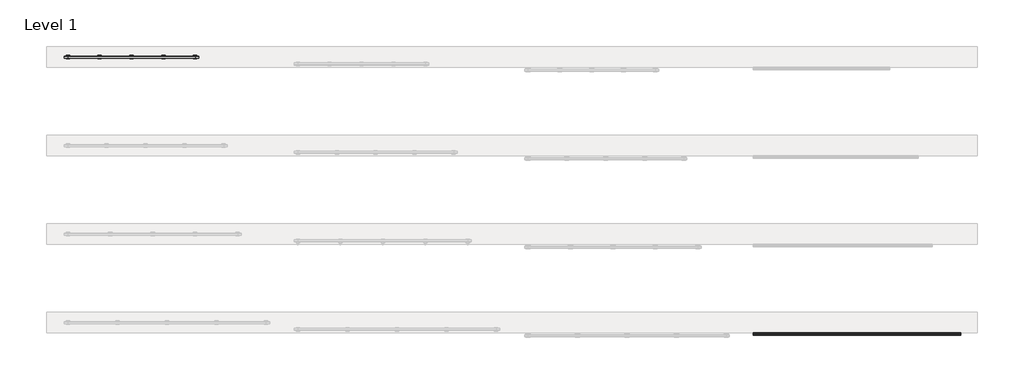
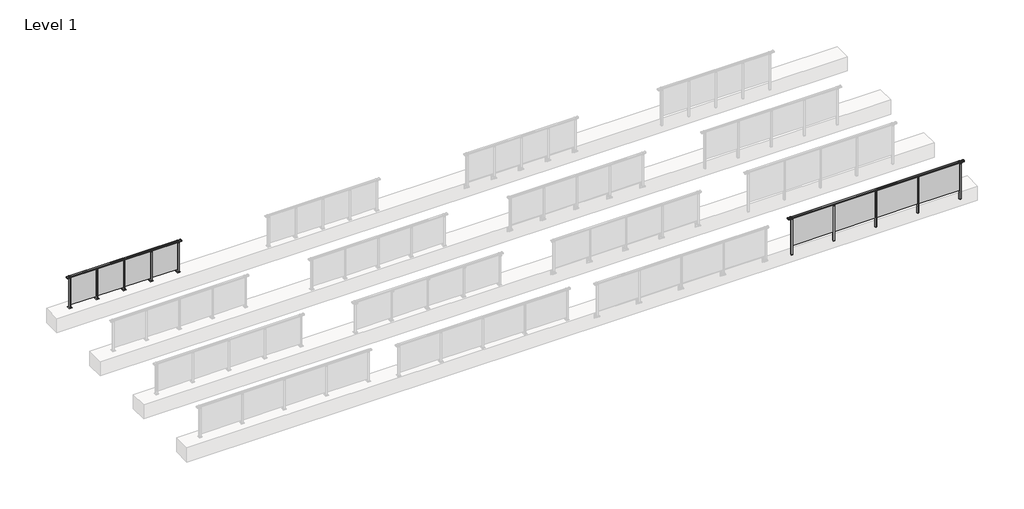
# One storey, part 52 of 64: 2 railings.
"""IFC4 building model written with IfcOpenShell, lengths in millimetres."""

from ifc_helpers import new_model, si_unit, frame, origin, origin_with_axes, place, context, project, spatial, polyline, circle_curve, outline, extrude, element, save
from ifc_brep_helpers import plane_surface, cylinder_surface, revolved_surface, advanced_brep

model = new_model("IFC4")

# Units and contexts
model_context = context("Model", 3, world=origin())
ifc_project = project(units=[si_unit("LENGTHUNIT", "METRE", prefix="MILLI")], contexts=[model_context])

# Site, building, storey
site = spatial("IfcSite", under=ifc_project)
building = spatial("IfcBuilding", under=site)
storey = spatial("IfcBuildingStorey", under=building, Name="Level 1", Elevation=0.0)

# Railings
placement = place(None, origin())
element("IfcRailing", 1, at=placement, inside=storey, context=model_context, shape_type="SolidModel", body=[
    advanced_brep(
    [(49372.5, 29892.8633756, 1095.6691182), (49372.5, 29897.6846828, 1081.1334092), (49372.5, 29896.7413744, 1069.2539035), (49372.5, 29898.6364177, 1061.4863007), (49372.5, 29896.9894799, 1060.384124), (49372.5, 29896.9894799, 1062.0), (49372.5, 29838.3798858, 1062.0), (49372.5, 29838.3798858, 1060.384124), (49372.5, 29836.732948, 1061.4863007), (49372.5, 29838.6279912, 1069.2539035), (49372.5, 29837.6846828, 1081.1334092), (49372.5, 29842.50599, 1095.6691182), (55227.5, 29892.8633756, 1095.6691182), (55227.5, 29842.50599, 1095.6691182), (55227.5, 29837.6846828, 1081.1334092), (55227.5, 29838.6279912, 1069.2539035), (55227.5, 29836.732948, 1061.4863007), (55227.5, 29838.3798858, 1060.384124), (55227.5, 29838.3798858, 1062.0), (55227.5, 29896.9894799, 1062.0), (55227.5, 29896.9894799, 1060.384124), (55227.5, 29898.6364177, 1061.4863007), (55227.5, 29896.7413744, 1069.2539035), (55227.5, 29897.6846828, 1081.1334092), (49500.0, 29892.8633756, 1095.6691182), (49500.0, 29897.6846828, 1081.1334092), (49500.0, 29896.7413744, 1069.2539035), (49500.0, 29898.6364177, 1061.4863007), (49500.0, 29896.9894799, 1060.384124), (49500.0, 29896.9894799, 1062.0), (49500.0, 29838.3798858, 1062.0), (49500.0, 29838.3798858, 1060.384124), (49500.0, 29836.732948, 1061.4863007), (49500.0, 29838.6279912, 1069.2539035), (49500.0, 29837.6846828, 1081.1334092), (49500.0, 29842.50599, 1095.6691182), (55100.0, 29892.8633756, 1095.6691182), (55100.0, 29897.6846828, 1081.1334092), (55100.0, 29896.7413744, 1069.2539035), (55100.0, 29898.6364177, 1061.4863007), (55100.0, 29896.9894799, 1060.384124), (55100.0, 29896.9894799, 1062.0), (55100.0, 29838.3798858, 1062.0), (55100.0, 29838.3798858, 1060.384124), (55100.0, 29836.732948, 1061.4863007), (55100.0, 29838.6279912, 1069.2539035), (55100.0, 29837.6846828, 1081.1334092), (55100.0, 29842.50599, 1095.6691182)],
    [
        (0, 1, circle_curve(frame((49372.5, 29889.6223845, 1086.526686), z_axis=(-1.0, 0.0, 0.0), x_axis=(0.0, -1.0, 0.0)), 9.6999015)),
        (1, 2, circle_curve(frame((49372.5, 29915.2252545, 1073.7633709), z_axis=(1.0, 0.0, 0.0), x_axis=(0.0, -1.0, 0.0)), 19.0260117)),
        (2, 3),
        (3, 4, circle_curve(frame((49372.5, 29897.7772073, 1060.9886194), z_axis=(-1.0, 0.0, 0.0), x_axis=(0.0, -1.0, 0.0)), 0.9929396)),
        (4, 5),
        (5, 6),
        (6, 7),
        (7, 8, circle_curve(frame((49372.5, 29837.5921584, 1060.9886194), z_axis=(-1.0, 0.0, 0.0), x_axis=(0.0, 1.0, 0.0)), 0.9929396)),
        (8, 9),
        (9, 10, circle_curve(frame((49372.5, 29820.1441111, 1073.7633709), z_axis=(1.0, 0.0, 0.0), x_axis=(0.0, 1.0, 0.0)), 19.0260117)),
        (10, 11, circle_curve(frame((49372.5, 29845.7469812, 1086.526686), z_axis=(-1.0, 0.0, 0.0), x_axis=(0.0, 1.0, 0.0)), 9.6999015)),
        (11, 0, circle_curve(frame((49372.5, 29867.6846828, 1024.6431628), z_axis=(-1.0, 0.0, 0.0), x_axis=(0.0, 1.0, 0.0)), 75.3568372)),
        (12, 13, circle_curve(frame((55227.5, 29867.6846828, 1024.6431628), z_axis=(1.0, 0.0, 0.0), x_axis=(0.0, 1.0, 0.0)), 75.3568372)),
        (13, 14, circle_curve(frame((55227.5, 29845.7469812, 1086.526686), z_axis=(1.0, 0.0, 0.0), x_axis=(0.0, 1.0, 0.0)), 9.6999015)),
        (14, 15, circle_curve(frame((55227.5, 29820.1441111, 1073.7633709), z_axis=(-1.0, 0.0, 0.0), x_axis=(0.0, 1.0, 0.0)), 19.0260117)),
        (15, 16),
        (16, 17, circle_curve(frame((55227.5, 29837.5921584, 1060.9886194), z_axis=(1.0, 0.0, 0.0), x_axis=(0.0, 1.0, 0.0)), 0.9929396)),
        (17, 18),
        (18, 19),
        (19, 20),
        (20, 21, circle_curve(frame((55227.5, 29897.7772073, 1060.9886194), z_axis=(1.0, 0.0, 0.0), x_axis=(0.0, -1.0, 0.0)), 0.9929396)),
        (21, 22),
        (22, 23, circle_curve(frame((55227.5, 29915.2252545, 1073.7633709), z_axis=(-1.0, 0.0, 0.0), x_axis=(0.0, -1.0, 0.0)), 19.0260117)),
        (23, 12, circle_curve(frame((55227.5, 29889.6223845, 1086.526686), z_axis=(1.0, 0.0, 0.0), x_axis=(0.0, -1.0, 0.0)), 9.6999015)),
        (0, 24),
        (24, 25, circle_curve(frame((49500.0, 29889.6223845, 1086.526686), z_axis=(-1.0, 0.0, 0.0), x_axis=(0.0, -1.0, 0.0)), 9.6999015)),
        (25, 1),
        (25, 26, circle_curve(frame((49500.0, 29915.2252545, 1073.7633709), z_axis=(1.0, 0.0, 0.0), x_axis=(0.0, -1.0, 0.0)), 19.0260117)),
        (26, 2),
        (26, 27),
        (27, 3),
        (27, 28, circle_curve(frame((49500.0, 29897.7772073, 1060.9886194), z_axis=(-1.0, 0.0, 0.0), x_axis=(0.0, -1.0, 0.0)), 0.9929396)),
        (28, 4),
        (28, 29),
        (29, 5),
        (29, 30),
        (30, 6),
        (30, 31),
        (31, 7),
        (31, 32, circle_curve(frame((49500.0, 29837.5921584, 1060.9886194), z_axis=(-1.0, 0.0, 0.0), x_axis=(0.0, 1.0, 0.0)), 0.9929396)),
        (32, 8),
        (32, 33),
        (33, 9),
        (33, 34, circle_curve(frame((49500.0, 29820.1441111, 1073.7633709), z_axis=(1.0, 0.0, 0.0), x_axis=(0.0, 1.0, 0.0)), 19.0260117)),
        (34, 10),
        (34, 35, circle_curve(frame((49500.0, 29845.7469812, 1086.526686), z_axis=(-1.0, 0.0, 0.0), x_axis=(0.0, 1.0, 0.0)), 9.6999015)),
        (35, 11),
        (35, 24, circle_curve(frame((49500.0, 29867.6846828, 1024.6431628), z_axis=(-1.0, 0.0, 0.0), x_axis=(0.0, 1.0, 0.0)), 75.3568372)),
        (24, 36),
        (36, 37, circle_curve(frame((55100.0, 29889.6223845, 1086.526686), z_axis=(-1.0, 0.0, 0.0), x_axis=(0.0, -1.0, 0.0)), 9.6999015)),
        (37, 25),
        (37, 38, circle_curve(frame((55100.0, 29915.2252545, 1073.7633709), z_axis=(1.0, 0.0, 0.0), x_axis=(0.0, -1.0, 0.0)), 19.0260117)),
        (38, 26),
        (38, 39),
        (39, 27),
        (39, 40, circle_curve(frame((55100.0, 29897.7772073, 1060.9886194), z_axis=(-1.0, 0.0, 0.0), x_axis=(0.0, -1.0, 0.0)), 0.9929396)),
        (40, 28),
        (40, 41),
        (41, 29),
        (41, 42),
        (42, 30),
        (42, 43),
        (43, 31),
        (43, 44, circle_curve(frame((55100.0, 29837.5921584, 1060.9886194), z_axis=(-1.0, 0.0, 0.0), x_axis=(0.0, 1.0, 0.0)), 0.9929396)),
        (44, 32),
        (44, 45),
        (45, 33),
        (45, 46, circle_curve(frame((55100.0, 29820.1441111, 1073.7633709), z_axis=(1.0, 0.0, 0.0), x_axis=(0.0, 1.0, 0.0)), 19.0260117)),
        (46, 34),
        (46, 47, circle_curve(frame((55100.0, 29845.7469812, 1086.526686), z_axis=(-1.0, 0.0, 0.0), x_axis=(0.0, 1.0, 0.0)), 9.6999015)),
        (47, 35),
        (47, 36, circle_curve(frame((55100.0, 29867.6846828, 1024.6431628), z_axis=(-1.0, 0.0, 0.0), x_axis=(0.0, 1.0, 0.0)), 75.3568372)),
        (36, 12),
        (23, 37),
        (22, 38),
        (21, 39),
        (20, 40),
        (19, 41),
        (18, 42),
        (17, 43),
        (16, 44),
        (15, 45),
        (14, 46),
        (13, 47),
    ],
    [
        plane_surface(frame((49372.5, 29867.6846828, 1100.0), z_axis=(-1.0, 0.0, 0.0), x_axis=(0.0, 1.0, 0.0))),
        plane_surface(frame((55227.5, 29867.6846828, 1100.0), z_axis=(1.0, 0.0, 0.0), x_axis=(0.0, 1.0, 0.0))),
        cylinder_surface(frame((49372.5, 29889.6223845, 1086.526686), z_axis=(-1.0, 0.0, 0.0), x_axis=(0.0, -1.0, 0.0)), 9.6999015),
        revolved_surface(polyline([(49500.0, 29896.1992428, 1073.7633709), (49372.5, 29896.1992428, 1073.7633709)]), (49372.5, 29915.2252545, 1073.7633709), (1.0, 0.0, 0.0)),
        plane_surface(frame((49372.5, 29896.7413744, 1069.2539035), z_axis=(0.0, 0.9715057689301543, 0.2370159086125439), x_axis=(1.0, 0.0, 0.0))),
        cylinder_surface(frame((49372.5, 29897.7772073, 1060.9886194), z_axis=(-1.0, 0.0, 0.0), x_axis=(0.0, -1.0, 0.0)), 0.9929396),
        plane_surface(frame((49372.5, 29896.9894799, 1060.384124), z_axis=(0.0, -1.0, 0.0), x_axis=(1.0, 0.0, 0.0))),
        plane_surface(frame((49372.5, 29896.9894799, 1062.0), z_axis=(0.0, 0.0, -1.0), x_axis=(1.0, 0.0, 0.0))),
        plane_surface(frame((49372.5, 29838.3798858, 1062.0), z_axis=(0.0, 1.0, 0.0), x_axis=(1.0, 0.0, 0.0))),
        cylinder_surface(frame((49372.5, 29837.5921584, 1060.9886194), z_axis=(-1.0, 0.0, 0.0), x_axis=(0.0, 1.0, 0.0)), 0.9929396),
        plane_surface(frame((49372.5, 29836.732948, 1061.4863007), z_axis=(0.0, -0.9715057689301543, 0.2370159086125439), x_axis=(1.0, 0.0, 0.0))),
        revolved_surface(polyline([(49500.0, 29839.1701228, 1073.7633709), (49372.5, 29839.1701228, 1073.7633709)]), (49372.5, 29820.1441111, 1073.7633709), (1.0, 0.0, 0.0)),
        cylinder_surface(frame((49372.5, 29845.7469812, 1086.526686), z_axis=(-1.0, 0.0, 0.0), x_axis=(0.0, 1.0, 0.0)), 9.6999015),
        cylinder_surface(frame((49372.5, 29867.6846828, 1024.6431628), z_axis=(-1.0, 0.0, 0.0), x_axis=(0.0, 1.0, 0.0)), 75.3568372),
        cylinder_surface(frame((49500.0, 29889.6223845, 1086.526686), z_axis=(-1.0, 0.0, 0.0), x_axis=(0.0, -1.0, 0.0)), 9.6999015),
        revolved_surface(polyline([(55100.0, 29896.1992428, 1073.7633709), (49500.0, 29896.1992428, 1073.7633709)]), (49500.0, 29915.2252545, 1073.7633709), (1.0, 0.0, 0.0)),
        plane_surface(frame((49500.0, 29896.7413744, 1069.2539035), z_axis=(0.0, 0.9715057689301543, 0.2370159086125439), x_axis=(1.0, 0.0, 0.0))),
        cylinder_surface(frame((49500.0, 29897.7772073, 1060.9886194), z_axis=(-1.0, 0.0, 0.0), x_axis=(0.0, -1.0, 0.0)), 0.9929396),
        plane_surface(frame((49500.0, 29896.9894799, 1060.384124), z_axis=(0.0, -1.0, 0.0), x_axis=(1.0, 0.0, 0.0))),
        plane_surface(frame((49500.0, 29896.9894799, 1062.0), z_axis=(0.0, 0.0, -1.0), x_axis=(1.0, 0.0, 0.0))),
        plane_surface(frame((49500.0, 29838.3798858, 1062.0), z_axis=(0.0, 1.0, 0.0), x_axis=(1.0, 0.0, 0.0))),
        cylinder_surface(frame((49500.0, 29837.5921584, 1060.9886194), z_axis=(-1.0, 0.0, 0.0), x_axis=(0.0, 1.0, 0.0)), 0.9929396),
        plane_surface(frame((49500.0, 29836.732948, 1061.4863007), z_axis=(0.0, -0.9715057689301543, 0.2370159086125439), x_axis=(1.0, 0.0, 0.0))),
        revolved_surface(polyline([(55100.0, 29839.1701228, 1073.7633709), (49500.0, 29839.1701228, 1073.7633709)]), (49500.0, 29820.1441111, 1073.7633709), (1.0, 0.0, 0.0)),
        cylinder_surface(frame((49500.0, 29845.7469812, 1086.526686), z_axis=(-1.0, 0.0, 0.0), x_axis=(0.0, 1.0, 0.0)), 9.6999015),
        cylinder_surface(frame((49500.0, 29867.6846828, 1024.6431628), z_axis=(-1.0, 0.0, 0.0), x_axis=(0.0, 1.0, 0.0)), 75.3568372),
        cylinder_surface(frame((55100.0, 29889.6223845, 1086.526686), z_axis=(-1.0, 0.0, 0.0), x_axis=(0.0, -1.0, 0.0)), 9.6999015),
        revolved_surface(polyline([(55227.5, 29896.1992428, 1073.7633709), (55100.0, 29896.1992428, 1073.7633709)]), (55100.0, 29915.2252545, 1073.7633709), (1.0, 0.0, 0.0)),
        plane_surface(frame((55100.0, 29896.7413744, 1069.2539035), z_axis=(0.0, 0.9715057689301543, 0.2370159086125439), x_axis=(1.0, 0.0, 0.0))),
        cylinder_surface(frame((55100.0, 29897.7772073, 1060.9886194), z_axis=(-1.0, 0.0, 0.0), x_axis=(0.0, -1.0, 0.0)), 0.9929396),
        plane_surface(frame((55100.0, 29896.9894799, 1060.384124), z_axis=(0.0, -1.0, 0.0), x_axis=(1.0, 0.0, 0.0))),
        plane_surface(frame((55100.0, 29896.9894799, 1062.0), z_axis=(0.0, 0.0, -1.0), x_axis=(1.0, 0.0, 0.0))),
        plane_surface(frame((55100.0, 29838.3798858, 1062.0), z_axis=(0.0, 1.0, 0.0), x_axis=(1.0, 0.0, 0.0))),
        cylinder_surface(frame((55100.0, 29837.5921584, 1060.9886194), z_axis=(-1.0, 0.0, 0.0), x_axis=(0.0, 1.0, 0.0)), 0.9929396),
        plane_surface(frame((55100.0, 29836.732948, 1061.4863007), z_axis=(0.0, -0.9715057689301543, 0.2370159086125439), x_axis=(1.0, 0.0, 0.0))),
        revolved_surface(polyline([(55227.5, 29839.1701228, 1073.7633709), (55100.0, 29839.1701228, 1073.7633709)]), (55100.0, 29820.1441111, 1073.7633709), (1.0, 0.0, 0.0)),
        cylinder_surface(frame((55100.0, 29845.7469812, 1086.526686), z_axis=(-1.0, 0.0, 0.0), x_axis=(0.0, 1.0, 0.0)), 9.6999015),
        cylinder_surface(frame((55100.0, 29867.6846828, 1024.6431628), z_axis=(-1.0, 0.0, 0.0), x_axis=(0.0, 1.0, 0.0)), 75.3568372),
    ],
    [
        (0, [[1, 2, 3, 4, 5, 6, 7, 8, 9, 10, 11, 12]]),
        (1, [[13, 14, 15, 16, 17, 18, 19, 20, 21, 22, 23, 24]]),
        (2, [[-1, 25, 26, 27]]),
        (3, [[-2, -27, 28, 29]]),
        (4, [[-3, -29, 30, 31]]),
        (5, [[-4, -31, 32, 33]]),
        (6, [[-5, -33, 34, 35]]),
        (7, [[-6, -35, 36, 37]]),
        (8, [[-7, -37, 38, 39]]),
        (9, [[-8, -39, 40, 41]]),
        (10, [[-9, -41, 42, 43]]),
        (11, [[-10, -43, 44, 45]]),
        (12, [[-11, -45, 46, 47]]),
        (13, [[-12, -47, 48, -25]]),
        (14, [[-26, 49, 50, 51]]),
        (15, [[-28, -51, 52, 53]]),
        (16, [[-30, -53, 54, 55]]),
        (17, [[-32, -55, 56, 57]]),
        (18, [[-34, -57, 58, 59]]),
        (19, [[-36, -59, 60, 61]]),
        (20, [[-38, -61, 62, 63]]),
        (21, [[-40, -63, 64, 65]]),
        (22, [[-42, -65, 66, 67]]),
        (23, [[-44, -67, 68, 69]]),
        (24, [[-46, -69, 70, 71]]),
        (25, [[-48, -71, 72, -49]]),
        (26, [[-50, 73, -24, 74]]),
        (27, [[-52, -74, -23, 75]]),
        (28, [[-54, -75, -22, 76]]),
        (29, [[-56, -76, -21, 77]]),
        (30, [[-58, -77, -20, 78]]),
        (31, [[-60, -78, -19, 79]]),
        (32, [[-62, -79, -18, 80]]),
        (33, [[-64, -80, -17, 81]]),
        (34, [[-66, -81, -16, 82]]),
        (35, [[-68, -82, -15, 83]]),
        (36, [[-70, -83, -14, 84]]),
        (37, [[-72, -84, -13, -73]]),
    ],
),
    extrude(outline(polyline([(53710.0, 29861.9094929), (53710.0, 29871.9094929), (55090.0, 29871.9094929), (55090.0, 29861.9094929), (53710.0, 29861.9094929)])), frame((0.0, 0.0, 95.0), z_axis=(0.0, 0.0, 1.0), x_axis=(1.0, 0.0, 0.0)), (0.0, 0.0, 1.0), 960.0),
    extrude(outline(polyline([(53722.5, 29890.1846828), (53722.5, 29845.1846828), (53677.5, 29845.1846828), (53677.5, 29890.1846828), (53722.5, 29890.1846828)])), frame((0.0, 0.0, 1027.0), z_axis=(0.0, 0.0, 1.0), x_axis=(1.0, 0.0, 0.0)), (0.0, 0.0, 1.0), 8.0),
    extrude(outline(polyline([(53722.5, 29890.1846828), (53722.5, 29845.1846828), (53677.5, 29845.1846828), (53677.5, 29890.1846828), (53722.5, 29890.1846828)])), frame((0.0, 0.0, -212.0), z_axis=(0.0, 0.0, 1.0), x_axis=(1.0, 0.0, 0.0)), (0.0, 0.0, 1.0), 1239.0),
    extrude(outline(polyline([(53710.0, 29877.6846828), (53710.0, 29857.6846828), (53690.0, 29857.6846828), (53690.0, 29877.6846828), (53710.0, 29877.6846828)])), frame((0.0, 0.0, 1035.0), z_axis=(0.0, 0.0, 1.0), x_axis=(1.0, 0.0, 0.0)), (0.0, 0.0, 1.0), 20.0),
    extrude(outline(polyline([(53722.5, 29890.1846828), (53722.5, 29845.1846828), (53677.5, 29845.1846828), (53677.5, 29890.1846828), (53722.5, 29890.1846828)])), frame((0.0, 0.0, -220.0), z_axis=(0.0, 0.0, 1.0), x_axis=(1.0, 0.0, 0.0)), (0.0, 0.0, 1.0), 8.0),
    extrude(outline(polyline([(52310.0, 29861.9094929), (52310.0, 29871.9094929), (53690.0, 29871.9094929), (53690.0, 29861.9094929), (52310.0, 29861.9094929)])), frame((0.0, 0.0, 95.0), z_axis=(0.0, 0.0, 1.0), x_axis=(1.0, 0.0, 0.0)), (0.0, 0.0, 1.0), 960.0),
    extrude(outline(polyline([(52322.5, 29890.1846828), (52322.5, 29845.1846828), (52277.5, 29845.1846828), (52277.5, 29890.1846828), (52322.5, 29890.1846828)])), frame((0.0, 0.0, 1027.0), z_axis=(0.0, 0.0, 1.0), x_axis=(1.0, 0.0, 0.0)), (0.0, 0.0, 1.0), 8.0),
    extrude(outline(polyline([(52322.5, 29890.1846828), (52322.5, 29845.1846828), (52277.5, 29845.1846828), (52277.5, 29890.1846828), (52322.5, 29890.1846828)])), frame((0.0, 0.0, -212.0), z_axis=(0.0, 0.0, 1.0), x_axis=(1.0, 0.0, 0.0)), (0.0, 0.0, 1.0), 1239.0),
    extrude(outline(polyline([(52310.0, 29877.6846828), (52310.0, 29857.6846828), (52290.0, 29857.6846828), (52290.0, 29877.6846828), (52310.0, 29877.6846828)])), frame((0.0, 0.0, 1035.0), z_axis=(0.0, 0.0, 1.0), x_axis=(1.0, 0.0, 0.0)), (0.0, 0.0, 1.0), 20.0),
    extrude(outline(polyline([(52322.5, 29890.1846828), (52322.5, 29845.1846828), (52277.5, 29845.1846828), (52277.5, 29890.1846828), (52322.5, 29890.1846828)])), frame((0.0, 0.0, -220.0), z_axis=(0.0, 0.0, 1.0), x_axis=(1.0, 0.0, 0.0)), (0.0, 0.0, 1.0), 8.0),
    extrude(outline(polyline([(50910.0, 29861.9094929), (50910.0, 29871.9094929), (52290.0, 29871.9094929), (52290.0, 29861.9094929), (50910.0, 29861.9094929)])), frame((0.0, 0.0, 95.0), z_axis=(0.0, 0.0, 1.0), x_axis=(1.0, 0.0, 0.0)), (0.0, 0.0, 1.0), 960.0),
    extrude(outline(polyline([(50922.5, 29890.1846828), (50922.5, 29845.1846828), (50877.5, 29845.1846828), (50877.5, 29890.1846828), (50922.5, 29890.1846828)])), frame((0.0, 0.0, 1027.0), z_axis=(0.0, 0.0, 1.0), x_axis=(1.0, 0.0, 0.0)), (0.0, 0.0, 1.0), 8.0),
    extrude(outline(polyline([(50922.5, 29890.1846828), (50922.5, 29845.1846828), (50877.5, 29845.1846828), (50877.5, 29890.1846828), (50922.5, 29890.1846828)])), frame((0.0, 0.0, -212.0), z_axis=(0.0, 0.0, 1.0), x_axis=(1.0, 0.0, 0.0)), (0.0, 0.0, 1.0), 1239.0),
    extrude(outline(polyline([(50910.0, 29877.6846828), (50910.0, 29857.6846828), (50890.0, 29857.6846828), (50890.0, 29877.6846828), (50910.0, 29877.6846828)])), frame((0.0, 0.0, 1035.0), z_axis=(0.0, 0.0, 1.0), x_axis=(1.0, 0.0, 0.0)), (0.0, 0.0, 1.0), 20.0),
    extrude(outline(polyline([(50922.5, 29890.1846828), (50922.5, 29845.1846828), (50877.5, 29845.1846828), (50877.5, 29890.1846828), (50922.5, 29890.1846828)])), frame((0.0, 0.0, -220.0), z_axis=(0.0, 0.0, 1.0), x_axis=(1.0, 0.0, 0.0)), (0.0, 0.0, 1.0), 8.0),
    extrude(outline(polyline([(49510.0, 29861.9094929), (49510.0, 29871.9094929), (50890.0, 29871.9094929), (50890.0, 29861.9094929), (49510.0, 29861.9094929)])), frame((0.0, 0.0, 95.0), z_axis=(0.0, 0.0, 1.0), x_axis=(1.0, 0.0, 0.0)), (0.0, 0.0, 1.0), 960.0),
    extrude(outline(polyline([(55122.5, 29890.1846828), (55122.5, 29845.1846828), (55077.5, 29845.1846828), (55077.5, 29890.1846828), (55122.5, 29890.1846828)])), frame((0.0, 0.0, 1027.0), z_axis=(0.0, 0.0, 1.0), x_axis=(1.0, 0.0, 0.0)), (0.0, 0.0, 1.0), 8.0),
    extrude(outline(polyline([(55122.5, 29890.1846828), (55122.5, 29845.1846828), (55077.5, 29845.1846828), (55077.5, 29890.1846828), (55122.5, 29890.1846828)])), frame((0.0, 0.0, -212.0), z_axis=(0.0, 0.0, 1.0), x_axis=(1.0, 0.0, 0.0)), (0.0, 0.0, 1.0), 1239.0),
    extrude(outline(polyline([(55110.0, 29877.6846828), (55110.0, 29857.6846828), (55090.0, 29857.6846828), (55090.0, 29877.6846828), (55110.0, 29877.6846828)])), frame((0.0, 0.0, 1035.0), z_axis=(0.0, 0.0, 1.0), x_axis=(1.0, 0.0, 0.0)), (0.0, 0.0, 1.0), 20.0),
    extrude(outline(polyline([(55122.5, 29890.1846828), (55122.5, 29845.1846828), (55077.5, 29845.1846828), (55077.5, 29890.1846828), (55122.5, 29890.1846828)])), frame((0.0, 0.0, -220.0), z_axis=(0.0, 0.0, 1.0), x_axis=(1.0, 0.0, 0.0)), (0.0, 0.0, 1.0), 8.0),
    extrude(outline(polyline([(49522.5, 29890.1846828), (49522.5, 29845.1846828), (49477.5, 29845.1846828), (49477.5, 29890.1846828), (49522.5, 29890.1846828)])), frame((0.0, 0.0, 1027.0), z_axis=(0.0, 0.0, 1.0), x_axis=(1.0, 0.0, 0.0)), (0.0, 0.0, 1.0), 8.0),
    extrude(outline(polyline([(49522.5, 29890.1846828), (49522.5, 29845.1846828), (49477.5, 29845.1846828), (49477.5, 29890.1846828), (49522.5, 29890.1846828)])), frame((0.0, 0.0, -212.0), z_axis=(0.0, 0.0, 1.0), x_axis=(1.0, 0.0, 0.0)), (0.0, 0.0, 1.0), 1239.0),
    extrude(outline(polyline([(49510.0, 29877.6846828), (49510.0, 29857.6846828), (49490.0, 29857.6846828), (49490.0, 29877.6846828), (49510.0, 29877.6846828)])), frame((0.0, 0.0, 1035.0), z_axis=(0.0, 0.0, 1.0), x_axis=(1.0, 0.0, 0.0)), (0.0, 0.0, 1.0), 20.0),
    extrude(outline(polyline([(49522.5, 29890.1846828), (49522.5, 29845.1846828), (49477.5, 29845.1846828), (49477.5, 29890.1846828), (49522.5, 29890.1846828)])), frame((0.0, 0.0, -220.0), z_axis=(0.0, 0.0, 1.0), x_axis=(1.0, 0.0, 0.0)), (0.0, 0.0, 1.0), 8.0),
])
element("IfcRailing", 2, at=placement, inside=storey, context=model_context, shape_type="SolidModel", body=[
    advanced_brep(
    [(29900.0, 37715.3633756, 1095.6691182), (29900.0, 37720.1846828, 1081.1334092), (29900.0, 37719.2413744, 1069.2539035), (29900.0, 37721.1364177, 1061.4863007), (29900.0, 37719.4894799, 1060.384124), (29900.0, 37719.4894799, 1062.0), (29900.0, 37660.8798858, 1062.0), (29900.0, 37660.8798858, 1060.384124), (29900.0, 37659.232948, 1061.4863007), (29900.0, 37661.1279912, 1069.2539035), (29900.0, 37660.1846828, 1081.1334092), (29900.0, 37665.00599, 1095.6691182), (33700.0, 37715.3633756, 1095.6691182), (33700.0, 37665.00599, 1095.6691182), (33700.0, 37660.1846828, 1081.1334092), (33700.0, 37661.1279912, 1069.2539035), (33700.0, 37659.232948, 1061.4863007), (33700.0, 37660.8798858, 1060.384124), (33700.0, 37660.8798858, 1062.0), (33700.0, 37719.4894799, 1062.0), (33700.0, 37719.4894799, 1060.384124), (33700.0, 37721.1364177, 1061.4863007), (33700.0, 37719.2413744, 1069.2539035), (33700.0, 37720.1846828, 1081.1334092), (30000.0, 37715.3633756, 1095.6691182), (30000.0, 37720.1846828, 1081.1334092), (30000.0, 37719.2413744, 1069.2539035), (30000.0, 37721.1364177, 1061.4863007), (30000.0, 37719.4894799, 1060.384124), (30000.0, 37719.4894799, 1062.0), (30000.0, 37660.8798858, 1062.0), (30000.0, 37660.8798858, 1060.384124), (30000.0, 37659.232948, 1061.4863007), (30000.0, 37661.1279912, 1069.2539035), (30000.0, 37660.1846828, 1081.1334092), (30000.0, 37665.00599, 1095.6691182), (33600.0, 37715.3633756, 1095.6691182), (33600.0, 37720.1846828, 1081.1334092), (33600.0, 37719.2413744, 1069.2539035), (33600.0, 37721.1364177, 1061.4863007), (33600.0, 37719.4894799, 1060.384124), (33600.0, 37719.4894799, 1062.0), (33600.0, 37660.8798858, 1062.0), (33600.0, 37660.8798858, 1060.384124), (33600.0, 37659.232948, 1061.4863007), (33600.0, 37661.1279912, 1069.2539035), (33600.0, 37660.1846828, 1081.1334092), (33600.0, 37665.00599, 1095.6691182)],
    [
        (0, 1, circle_curve(frame((29900.0, 37712.1223845, 1086.526686), z_axis=(-1.0, 0.0, 0.0), x_axis=(0.0, -1.0, 0.0)), 9.6999015)),
        (1, 2, circle_curve(frame((29900.0, 37737.7252545, 1073.7633709), z_axis=(1.0, 0.0, 0.0), x_axis=(0.0, -1.0, 0.0)), 19.0260117)),
        (2, 3),
        (3, 4, circle_curve(frame((29900.0, 37720.2772073, 1060.9886194), z_axis=(-1.0, 0.0, 0.0), x_axis=(0.0, -1.0, 0.0)), 0.9929396)),
        (4, 5),
        (5, 6),
        (6, 7),
        (7, 8, circle_curve(frame((29900.0, 37660.0921584, 1060.9886194), z_axis=(-1.0, 0.0, 0.0), x_axis=(0.0, 1.0, 0.0)), 0.9929396)),
        (8, 9),
        (9, 10, circle_curve(frame((29900.0, 37642.6441111, 1073.7633709), z_axis=(1.0, 0.0, 0.0), x_axis=(0.0, 1.0, 0.0)), 19.0260117)),
        (10, 11, circle_curve(frame((29900.0, 37668.2469812, 1086.526686), z_axis=(-1.0, 0.0, 0.0), x_axis=(0.0, 1.0, 0.0)), 9.6999015)),
        (11, 0, circle_curve(frame((29900.0, 37690.1846828, 1024.6431628), z_axis=(-1.0, 0.0, 0.0), x_axis=(0.0, 1.0, 0.0)), 75.3568372)),
        (12, 13, circle_curve(frame((33700.0, 37690.1846828, 1024.6431628), z_axis=(1.0, 0.0, 0.0), x_axis=(0.0, 1.0, 0.0)), 75.3568372)),
        (13, 14, circle_curve(frame((33700.0, 37668.2469812, 1086.526686), z_axis=(1.0, 0.0, 0.0), x_axis=(0.0, 1.0, 0.0)), 9.6999015)),
        (14, 15, circle_curve(frame((33700.0, 37642.6441111, 1073.7633709), z_axis=(-1.0, 0.0, 0.0), x_axis=(0.0, 1.0, 0.0)), 19.0260117)),
        (15, 16),
        (16, 17, circle_curve(frame((33700.0, 37660.0921584, 1060.9886194), z_axis=(1.0, 0.0, 0.0), x_axis=(0.0, 1.0, 0.0)), 0.9929396)),
        (17, 18),
        (18, 19),
        (19, 20),
        (20, 21, circle_curve(frame((33700.0, 37720.2772073, 1060.9886194), z_axis=(1.0, 0.0, 0.0), x_axis=(0.0, -1.0, 0.0)), 0.9929396)),
        (21, 22),
        (22, 23, circle_curve(frame((33700.0, 37737.7252545, 1073.7633709), z_axis=(-1.0, 0.0, 0.0), x_axis=(0.0, -1.0, 0.0)), 19.0260117)),
        (23, 12, circle_curve(frame((33700.0, 37712.1223845, 1086.526686), z_axis=(1.0, 0.0, 0.0), x_axis=(0.0, -1.0, 0.0)), 9.6999015)),
        (0, 24),
        (24, 25, circle_curve(frame((30000.0, 37712.1223845, 1086.526686), z_axis=(-1.0, 0.0, 0.0), x_axis=(0.0, -1.0, 0.0)), 9.6999015)),
        (25, 1),
        (25, 26, circle_curve(frame((30000.0, 37737.7252545, 1073.7633709), z_axis=(1.0, 0.0, 0.0), x_axis=(0.0, -1.0, 0.0)), 19.0260117)),
        (26, 2),
        (26, 27),
        (27, 3),
        (27, 28, circle_curve(frame((30000.0, 37720.2772073, 1060.9886194), z_axis=(-1.0, 0.0, 0.0), x_axis=(0.0, -1.0, 0.0)), 0.9929396)),
        (28, 4),
        (28, 29),
        (29, 5),
        (29, 30),
        (30, 6),
        (30, 31),
        (31, 7),
        (31, 32, circle_curve(frame((30000.0, 37660.0921584, 1060.9886194), z_axis=(-1.0, 0.0, 0.0), x_axis=(0.0, 1.0, 0.0)), 0.9929396)),
        (32, 8),
        (32, 33),
        (33, 9),
        (33, 34, circle_curve(frame((30000.0, 37642.6441111, 1073.7633709), z_axis=(1.0, 0.0, 0.0), x_axis=(0.0, 1.0, 0.0)), 19.0260117)),
        (34, 10),
        (34, 35, circle_curve(frame((30000.0, 37668.2469812, 1086.526686), z_axis=(-1.0, 0.0, 0.0), x_axis=(0.0, 1.0, 0.0)), 9.6999015)),
        (35, 11),
        (35, 24, circle_curve(frame((30000.0, 37690.1846828, 1024.6431628), z_axis=(-1.0, 0.0, 0.0), x_axis=(0.0, 1.0, 0.0)), 75.3568372)),
        (24, 36),
        (36, 37, circle_curve(frame((33600.0, 37712.1223845, 1086.526686), z_axis=(-1.0, 0.0, 0.0), x_axis=(0.0, -1.0, 0.0)), 9.6999015)),
        (37, 25),
        (37, 38, circle_curve(frame((33600.0, 37737.7252545, 1073.7633709), z_axis=(1.0, 0.0, 0.0), x_axis=(0.0, -1.0, 0.0)), 19.0260117)),
        (38, 26),
        (38, 39),
        (39, 27),
        (39, 40, circle_curve(frame((33600.0, 37720.2772073, 1060.9886194), z_axis=(-1.0, 0.0, 0.0), x_axis=(0.0, -1.0, 0.0)), 0.9929396)),
        (40, 28),
        (40, 41),
        (41, 29),
        (41, 42),
        (42, 30),
        (42, 43),
        (43, 31),
        (43, 44, circle_curve(frame((33600.0, 37660.0921584, 1060.9886194), z_axis=(-1.0, 0.0, 0.0), x_axis=(0.0, 1.0, 0.0)), 0.9929396)),
        (44, 32),
        (44, 45),
        (45, 33),
        (45, 46, circle_curve(frame((33600.0, 37642.6441111, 1073.7633709), z_axis=(1.0, 0.0, 0.0), x_axis=(0.0, 1.0, 0.0)), 19.0260117)),
        (46, 34),
        (46, 47, circle_curve(frame((33600.0, 37668.2469812, 1086.526686), z_axis=(-1.0, 0.0, 0.0), x_axis=(0.0, 1.0, 0.0)), 9.6999015)),
        (47, 35),
        (47, 36, circle_curve(frame((33600.0, 37690.1846828, 1024.6431628), z_axis=(-1.0, 0.0, 0.0), x_axis=(0.0, 1.0, 0.0)), 75.3568372)),
        (36, 12),
        (23, 37),
        (22, 38),
        (21, 39),
        (20, 40),
        (19, 41),
        (18, 42),
        (17, 43),
        (16, 44),
        (15, 45),
        (14, 46),
        (13, 47),
    ],
    [
        plane_surface(frame((29900.0, 37690.1846828, 1100.0), z_axis=(-1.0, 0.0, 0.0), x_axis=(0.0, 1.0, 0.0))),
        plane_surface(frame((33700.0, 37690.1846828, 1100.0), z_axis=(1.0, 0.0, 0.0), x_axis=(0.0, 1.0, 0.0))),
        cylinder_surface(frame((29900.0, 37712.1223845, 1086.526686), z_axis=(-1.0, 0.0, 0.0), x_axis=(0.0, -1.0, 0.0)), 9.6999015),
        revolved_surface(polyline([(30000.0, 37718.6992428, 1073.7633709), (29900.0, 37718.6992428, 1073.7633709)]), (29900.0, 37737.7252545, 1073.7633709), (1.0, 0.0, 0.0)),
        plane_surface(frame((29900.0, 37719.2413744, 1069.2539035), z_axis=(0.0, 0.9715057689301543, 0.2370159086125439), x_axis=(1.0, 0.0, 0.0))),
        cylinder_surface(frame((29900.0, 37720.2772073, 1060.9886194), z_axis=(-1.0, 0.0, 0.0), x_axis=(0.0, -1.0, 0.0)), 0.9929396),
        plane_surface(frame((29900.0, 37719.4894799, 1060.384124), z_axis=(0.0, -1.0, 0.0), x_axis=(1.0, 0.0, 0.0))),
        plane_surface(frame((29900.0, 37719.4894799, 1062.0), z_axis=(0.0, 0.0, -1.0), x_axis=(1.0, 0.0, 0.0))),
        plane_surface(frame((29900.0, 37660.8798858, 1062.0), z_axis=(0.0, 1.0, 0.0), x_axis=(1.0, 0.0, 0.0))),
        cylinder_surface(frame((29900.0, 37660.0921584, 1060.9886194), z_axis=(-1.0, 0.0, 0.0), x_axis=(0.0, 1.0, 0.0)), 0.9929396),
        plane_surface(frame((29900.0, 37659.232948, 1061.4863007), z_axis=(0.0, -0.9715057689301543, 0.2370159086125439), x_axis=(1.0, 0.0, 0.0))),
        revolved_surface(polyline([(30000.0, 37661.6701228, 1073.7633709), (29900.0, 37661.6701228, 1073.7633709)]), (29900.0, 37642.6441111, 1073.7633709), (1.0, 0.0, 0.0)),
        cylinder_surface(frame((29900.0, 37668.2469812, 1086.526686), z_axis=(-1.0, 0.0, 0.0), x_axis=(0.0, 1.0, 0.0)), 9.6999015),
        cylinder_surface(frame((29900.0, 37690.1846828, 1024.6431628), z_axis=(-1.0, 0.0, 0.0), x_axis=(0.0, 1.0, 0.0)), 75.3568372),
        cylinder_surface(frame((30000.0, 37712.1223845, 1086.526686), z_axis=(-1.0, 0.0, 0.0), x_axis=(0.0, -1.0, 0.0)), 9.6999015),
        revolved_surface(polyline([(33600.0, 37718.6992428, 1073.7633709), (30000.0, 37718.6992428, 1073.7633709)]), (30000.0, 37737.7252545, 1073.7633709), (1.0, 0.0, 0.0)),
        plane_surface(frame((30000.0, 37719.2413744, 1069.2539035), z_axis=(0.0, 0.9715057689301543, 0.2370159086125439), x_axis=(1.0, 0.0, 0.0))),
        cylinder_surface(frame((30000.0, 37720.2772073, 1060.9886194), z_axis=(-1.0, 0.0, 0.0), x_axis=(0.0, -1.0, 0.0)), 0.9929396),
        plane_surface(frame((30000.0, 37719.4894799, 1060.384124), z_axis=(0.0, -1.0, 0.0), x_axis=(1.0, 0.0, 0.0))),
        plane_surface(frame((30000.0, 37719.4894799, 1062.0), z_axis=(0.0, 0.0, -1.0), x_axis=(1.0, 0.0, 0.0))),
        plane_surface(frame((30000.0, 37660.8798858, 1062.0), z_axis=(0.0, 1.0, 0.0), x_axis=(1.0, 0.0, 0.0))),
        cylinder_surface(frame((30000.0, 37660.0921584, 1060.9886194), z_axis=(-1.0, 0.0, 0.0), x_axis=(0.0, 1.0, 0.0)), 0.9929396),
        plane_surface(frame((30000.0, 37659.232948, 1061.4863007), z_axis=(0.0, -0.9715057689301543, 0.2370159086125439), x_axis=(1.0, 0.0, 0.0))),
        revolved_surface(polyline([(33600.0, 37661.6701228, 1073.7633709), (30000.0, 37661.6701228, 1073.7633709)]), (30000.0, 37642.6441111, 1073.7633709), (1.0, 0.0, 0.0)),
        cylinder_surface(frame((30000.0, 37668.2469812, 1086.526686), z_axis=(-1.0, 0.0, 0.0), x_axis=(0.0, 1.0, 0.0)), 9.6999015),
        cylinder_surface(frame((30000.0, 37690.1846828, 1024.6431628), z_axis=(-1.0, 0.0, 0.0), x_axis=(0.0, 1.0, 0.0)), 75.3568372),
        cylinder_surface(frame((33600.0, 37712.1223845, 1086.526686), z_axis=(-1.0, 0.0, 0.0), x_axis=(0.0, -1.0, 0.0)), 9.6999015),
        revolved_surface(polyline([(33700.0, 37718.6992428, 1073.7633709), (33600.0, 37718.6992428, 1073.7633709)]), (33600.0, 37737.7252545, 1073.7633709), (1.0, 0.0, 0.0)),
        plane_surface(frame((33600.0, 37719.2413744, 1069.2539035), z_axis=(0.0, 0.9715057689301543, 0.2370159086125439), x_axis=(1.0, 0.0, 0.0))),
        cylinder_surface(frame((33600.0, 37720.2772073, 1060.9886194), z_axis=(-1.0, 0.0, 0.0), x_axis=(0.0, -1.0, 0.0)), 0.9929396),
        plane_surface(frame((33600.0, 37719.4894799, 1060.384124), z_axis=(0.0, -1.0, 0.0), x_axis=(1.0, 0.0, 0.0))),
        plane_surface(frame((33600.0, 37719.4894799, 1062.0), z_axis=(0.0, 0.0, -1.0), x_axis=(1.0, 0.0, 0.0))),
        plane_surface(frame((33600.0, 37660.8798858, 1062.0), z_axis=(0.0, 1.0, 0.0), x_axis=(1.0, 0.0, 0.0))),
        cylinder_surface(frame((33600.0, 37660.0921584, 1060.9886194), z_axis=(-1.0, 0.0, 0.0), x_axis=(0.0, 1.0, 0.0)), 0.9929396),
        plane_surface(frame((33600.0, 37659.232948, 1061.4863007), z_axis=(0.0, -0.9715057689301543, 0.2370159086125439), x_axis=(1.0, 0.0, 0.0))),
        revolved_surface(polyline([(33700.0, 37661.6701228, 1073.7633709), (33600.0, 37661.6701228, 1073.7633709)]), (33600.0, 37642.6441111, 1073.7633709), (1.0, 0.0, 0.0)),
        cylinder_surface(frame((33600.0, 37668.2469812, 1086.526686), z_axis=(-1.0, 0.0, 0.0), x_axis=(0.0, 1.0, 0.0)), 9.6999015),
        cylinder_surface(frame((33600.0, 37690.1846828, 1024.6431628), z_axis=(-1.0, 0.0, 0.0), x_axis=(0.0, 1.0, 0.0)), 75.3568372),
    ],
    [
        (0, [[1, 2, 3, 4, 5, 6, 7, 8, 9, 10, 11, 12]]),
        (1, [[13, 14, 15, 16, 17, 18, 19, 20, 21, 22, 23, 24]]),
        (2, [[-1, 25, 26, 27]]),
        (3, [[-2, -27, 28, 29]]),
        (4, [[-3, -29, 30, 31]]),
        (5, [[-4, -31, 32, 33]]),
        (6, [[-5, -33, 34, 35]]),
        (7, [[-6, -35, 36, 37]]),
        (8, [[-7, -37, 38, 39]]),
        (9, [[-8, -39, 40, 41]]),
        (10, [[-9, -41, 42, 43]]),
        (11, [[-10, -43, 44, 45]]),
        (12, [[-11, -45, 46, 47]]),
        (13, [[-12, -47, 48, -25]]),
        (14, [[-26, 49, 50, 51]]),
        (15, [[-28, -51, 52, 53]]),
        (16, [[-30, -53, 54, 55]]),
        (17, [[-32, -55, 56, 57]]),
        (18, [[-34, -57, 58, 59]]),
        (19, [[-36, -59, 60, 61]]),
        (20, [[-38, -61, 62, 63]]),
        (21, [[-40, -63, 64, 65]]),
        (22, [[-42, -65, 66, 67]]),
        (23, [[-44, -67, 68, 69]]),
        (24, [[-46, -69, 70, 71]]),
        (25, [[-48, -71, 72, -49]]),
        (26, [[-50, 73, -24, 74]]),
        (27, [[-52, -74, -23, 75]]),
        (28, [[-54, -75, -22, 76]]),
        (29, [[-56, -76, -21, 77]]),
        (30, [[-58, -77, -20, 78]]),
        (31, [[-60, -78, -19, 79]]),
        (32, [[-62, -79, -18, 80]]),
        (33, [[-64, -80, -17, 81]]),
        (34, [[-66, -81, -16, 82]]),
        (35, [[-68, -82, -15, 83]]),
        (36, [[-70, -83, -14, 84]]),
        (37, [[-72, -84, -13, -73]]),
    ],
),
    extrude(outline(polyline([(32710.0, 37695.9598727), (33590.0, 37695.9598727), (33590.0, 37685.9598727), (32710.0, 37685.9598727), (32710.0, 37695.9598727)])), frame((0.0, 0.0, 95.0), z_axis=(0.0, 0.0, 1.0), x_axis=(1.0, 0.0, 0.0)), (0.0, 0.0, 1.0), 960.0),
    extrude(outline(polyline([(32710.0, 37680.1846828), (32690.0, 37680.1846828), (32690.0, 37700.1846828), (32710.0, 37700.1846828), (32710.0, 37680.1846828)])), frame((0.0, 0.0, 1035.0), z_axis=(0.0, 0.0, 1.0), x_axis=(1.0, 0.0, 0.0)), (0.0, 0.0, 1.0), 20.0),
    extrude(outline(polyline([(32722.5, 37667.6846828), (32677.5, 37667.6846828), (32677.5, 37712.6846828), (32722.5, 37712.6846828), (32722.5, 37667.6846828)])), frame((0.0, 0.0, 1027.0), z_axis=(0.0, 0.0, 1.0), x_axis=(1.0, 0.0, 0.0)), (0.0, 0.0, 1.0), 8.0),
    extrude(outline(polyline([(32750.0, 37640.1846828), (32650.0, 37640.1846828), (32650.0, 37740.1846828), (32750.0, 37740.1846828), (32750.0, 37640.1846828)])), origin_with_axes(), (0.0, 0.0, 1.0), 12.0),
    extrude(outline(polyline([(32722.5, 37667.6846828), (32677.5, 37667.6846828), (32677.5, 37712.6846828), (32722.5, 37712.6846828), (32722.5, 37667.6846828)])), frame((0.0, 0.0, 12.0), z_axis=(0.0, 0.0, 1.0), x_axis=(1.0, 0.0, 0.0)), (0.0, 0.0, 1.0), 1015.0),
    extrude(outline(polyline([(31810.0, 37695.9598727), (32690.0, 37695.9598727), (32690.0, 37685.9598727), (31810.0, 37685.9598727), (31810.0, 37695.9598727)])), frame((0.0, 0.0, 95.0), z_axis=(0.0, 0.0, 1.0), x_axis=(1.0, 0.0, 0.0)), (0.0, 0.0, 1.0), 960.0),
    extrude(outline(polyline([(31810.0, 37680.1846828), (31790.0, 37680.1846828), (31790.0, 37700.1846828), (31810.0, 37700.1846828), (31810.0, 37680.1846828)])), frame((0.0, 0.0, 1035.0), z_axis=(0.0, 0.0, 1.0), x_axis=(1.0, 0.0, 0.0)), (0.0, 0.0, 1.0), 20.0),
    extrude(outline(polyline([(31822.5, 37667.6846828), (31777.5, 37667.6846828), (31777.5, 37712.6846828), (31822.5, 37712.6846828), (31822.5, 37667.6846828)])), frame((0.0, 0.0, 1027.0), z_axis=(0.0, 0.0, 1.0), x_axis=(1.0, 0.0, 0.0)), (0.0, 0.0, 1.0), 8.0),
    extrude(outline(polyline([(31850.0, 37640.1846828), (31750.0, 37640.1846828), (31750.0, 37740.1846828), (31850.0, 37740.1846828), (31850.0, 37640.1846828)])), origin_with_axes(), (0.0, 0.0, 1.0), 12.0),
    extrude(outline(polyline([(31822.5, 37667.6846828), (31777.5, 37667.6846828), (31777.5, 37712.6846828), (31822.5, 37712.6846828), (31822.5, 37667.6846828)])), frame((0.0, 0.0, 12.0), z_axis=(0.0, 0.0, 1.0), x_axis=(1.0, 0.0, 0.0)), (0.0, 0.0, 1.0), 1015.0),
    extrude(outline(polyline([(30910.0, 37695.9598727), (31790.0, 37695.9598727), (31790.0, 37685.9598727), (30910.0, 37685.9598727), (30910.0, 37695.9598727)])), frame((0.0, 0.0, 95.0), z_axis=(0.0, 0.0, 1.0), x_axis=(1.0, 0.0, 0.0)), (0.0, 0.0, 1.0), 960.0),
    extrude(outline(polyline([(30910.0, 37680.1846828), (30890.0, 37680.1846828), (30890.0, 37700.1846828), (30910.0, 37700.1846828), (30910.0, 37680.1846828)])), frame((0.0, 0.0, 1035.0), z_axis=(0.0, 0.0, 1.0), x_axis=(1.0, 0.0, 0.0)), (0.0, 0.0, 1.0), 20.0),
    extrude(outline(polyline([(30922.5, 37667.6846828), (30877.5, 37667.6846828), (30877.5, 37712.6846828), (30922.5, 37712.6846828), (30922.5, 37667.6846828)])), frame((0.0, 0.0, 1027.0), z_axis=(0.0, 0.0, 1.0), x_axis=(1.0, 0.0, 0.0)), (0.0, 0.0, 1.0), 8.0),
    extrude(outline(polyline([(30950.0, 37640.1846828), (30850.0, 37640.1846828), (30850.0, 37740.1846828), (30950.0, 37740.1846828), (30950.0, 37640.1846828)])), origin_with_axes(), (0.0, 0.0, 1.0), 12.0),
    extrude(outline(polyline([(30922.5, 37667.6846828), (30877.5, 37667.6846828), (30877.5, 37712.6846828), (30922.5, 37712.6846828), (30922.5, 37667.6846828)])), frame((0.0, 0.0, 12.0), z_axis=(0.0, 0.0, 1.0), x_axis=(1.0, 0.0, 0.0)), (0.0, 0.0, 1.0), 1015.0),
    extrude(outline(polyline([(30010.0, 37695.9598727), (30890.0, 37695.9598727), (30890.0, 37685.9598727), (30010.0, 37685.9598727), (30010.0, 37695.9598727)])), frame((0.0, 0.0, 95.0), z_axis=(0.0, 0.0, 1.0), x_axis=(1.0, 0.0, 0.0)), (0.0, 0.0, 1.0), 960.0),
    extrude(outline(polyline([(33610.0, 37680.1846828), (33590.0, 37680.1846828), (33590.0, 37700.1846828), (33610.0, 37700.1846828), (33610.0, 37680.1846828)])), frame((0.0, 0.0, 1035.0), z_axis=(0.0, 0.0, 1.0), x_axis=(1.0, 0.0, 0.0)), (0.0, 0.0, 1.0), 20.0),
    extrude(outline(polyline([(33622.5, 37667.6846828), (33577.5, 37667.6846828), (33577.5, 37712.6846828), (33622.5, 37712.6846828), (33622.5, 37667.6846828)])), frame((0.0, 0.0, 1027.0), z_axis=(0.0, 0.0, 1.0), x_axis=(1.0, 0.0, 0.0)), (0.0, 0.0, 1.0), 8.0),
    extrude(outline(polyline([(33650.0, 37640.1846828), (33550.0, 37640.1846828), (33550.0, 37740.1846828), (33650.0, 37740.1846828), (33650.0, 37640.1846828)])), origin_with_axes(), (0.0, 0.0, 1.0), 12.0),
    extrude(outline(polyline([(33622.5, 37667.6846828), (33577.5, 37667.6846828), (33577.5, 37712.6846828), (33622.5, 37712.6846828), (33622.5, 37667.6846828)])), frame((0.0, 0.0, 12.0), z_axis=(0.0, 0.0, 1.0), x_axis=(1.0, 0.0, 0.0)), (0.0, 0.0, 1.0), 1015.0),
    extrude(outline(polyline([(30010.0, 37680.1846828), (29990.0, 37680.1846828), (29990.0, 37700.1846828), (30010.0, 37700.1846828), (30010.0, 37680.1846828)])), frame((0.0, 0.0, 1035.0), z_axis=(0.0, 0.0, 1.0), x_axis=(1.0, 0.0, 0.0)), (0.0, 0.0, 1.0), 20.0),
    extrude(outline(polyline([(30022.5, 37667.6846828), (29977.5, 37667.6846828), (29977.5, 37712.6846828), (30022.5, 37712.6846828), (30022.5, 37667.6846828)])), frame((0.0, 0.0, 1027.0), z_axis=(0.0, 0.0, 1.0), x_axis=(1.0, 0.0, 0.0)), (0.0, 0.0, 1.0), 8.0),
    extrude(outline(polyline([(30050.0, 37640.1846828), (29950.0, 37640.1846828), (29950.0, 37740.1846828), (30050.0, 37740.1846828), (30050.0, 37640.1846828)])), origin_with_axes(), (0.0, 0.0, 1.0), 12.0),
    extrude(outline(polyline([(30022.5, 37667.6846828), (29977.5, 37667.6846828), (29977.5, 37712.6846828), (30022.5, 37712.6846828), (30022.5, 37667.6846828)])), frame((0.0, 0.0, 12.0), z_axis=(0.0, 0.0, 1.0), x_axis=(1.0, 0.0, 0.0)), (0.0, 0.0, 1.0), 1015.0),
])

save(model, "model.ifc")
